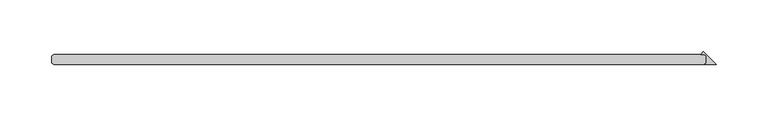
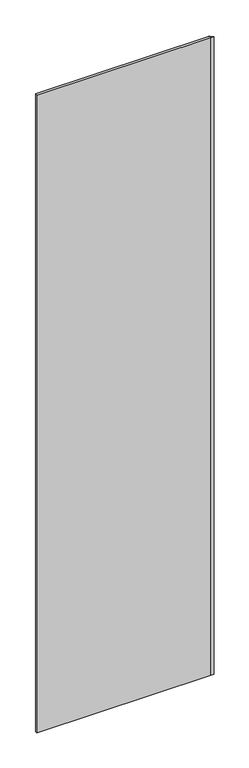
"""IFC4 building model written with IfcOpenShell, lengths in millimetres: plate geometry."""

import ifcopenshell
import ifcopenshell.guid

model = None  # the IFC model being written
_history = None  # IfcOwnerHistory: only IFC2X3 demands one
_inside = {}  # id of a spatial element -> (the spatial element, [elements in it])
_under = {}  # id of a project, library or spatial element -> (it, [spatial elements below it])
_declared = {}  # id of a project -> (the project, [libraries it declares])
_typed = {}  # id of a type object -> (the type object, [elements of that type])
_made_of = {}  # id of a material, layer set ... -> (it, [elements and type objects made of it])


def new_model(schema):
    """Start an empty IFC model of exactly this schema.

    Asked for "IFC4X3", IfcOpenShell would pick the latest addendum, in which some entities
    have other attributes; the version numbers below select the first issue.
    IFC2X3 requires an IfcOwnerHistory on every rooted entity: one is made here for all.
    """
    global model, _history
    if schema == "IFC4X3":
        model = ifcopenshell.file(schema_version=(4, 3, 0, 0))
    else:
        model = ifcopenshell.file(schema=schema)
    _inside.clear()
    _under.clear()
    _declared.clear()
    _typed.clear()
    _made_of.clear()
    _history = None
    if model.schema == "IFC2X3":
        org = make("IfcOrganization", Name="unknown")
        user = make(
            "IfcPersonAndOrganization",
            ThePerson=make("IfcPerson", FamilyName="unknown"),
            TheOrganization=org,
        )
        app = make(
            "IfcApplication",
            ApplicationDeveloper=org,
            Version="unknown",
            ApplicationFullName="unknown",
            ApplicationIdentifier="unknown",
        )
        _history = make(
            "IfcOwnerHistory",
            OwningUser=user,
            OwningApplication=app,
            ChangeAction="ADDED",
            CreationDate=0,
        )
    return model


def make(cls, **values):
    """One entity of the class cls with the attributes given. An attribute that is None is left unset."""
    return model.create_entity(
        cls, **{name: value for name, value in values.items() if value is not None}
    )


def rooted(cls, **values):
    """An entity with a GlobalId (a new one), such as an element, a storey or a relation."""
    return make(cls, GlobalId=ifcopenshell.guid.new(), OwnerHistory=_history, **values)


def si_unit(unit_type, name, prefix=None):
    """IfcSIUnit, for example si_unit("LENGTHUNIT", "METRE", prefix="MILLI")."""
    return make("IfcSIUnit", UnitType=unit_type, Prefix=prefix, Name=name)


def assignment(units):
    """IfcUnitAssignment: the units of a project."""
    return None if units is None else make("IfcUnitAssignment", Units=units)


def point(xyz):
    """IfcCartesianPoint."""
    return None if xyz is None else make("IfcCartesianPoint", Coordinates=xyz)


def direction(xyz):
    """IfcDirection."""
    return None if xyz is None else make("IfcDirection", DirectionRatios=xyz)


def frame(location, z_axis=None, x_axis=None):
    """IfcAxis2Placement3D, a coordinate frame: its origin and axes. An axis left out is left unset."""
    return make(
        "IfcAxis2Placement3D",
        Location=point(location),
        Axis=direction(z_axis),
        RefDirection=direction(x_axis),
    )


def origin():
    """The frame at (0, 0, 0) with its axes left unset."""
    return frame((0.0, 0.0, 0.0))


def origin_with_axes():
    """The frame at (0, 0, 0) with the z axis (0, 0, 1) and the x axis (1, 0, 0) written out."""
    return frame((0.0, 0.0, 0.0), z_axis=(0.0, 0.0, 1.0), x_axis=(1.0, 0.0, 0.0))


def place(relative_to, where):
    """IfcLocalPlacement: puts the frame where relative to a parent placement (None: the world)."""
    return make(
        "IfcLocalPlacement", PlacementRelTo=relative_to, RelativePlacement=where
    )


def context(
    kind, dimensions, precision=None, world=None, true_north=None, identifier=None
):
    """IfcGeometricRepresentationContext, for example the 3D "Model" context."""
    return make(
        "IfcGeometricRepresentationContext",
        ContextIdentifier=identifier,
        ContextType=kind,
        CoordinateSpaceDimension=dimensions,
        Precision=precision,
        WorldCoordinateSystem=world,
        TrueNorth=true_north,
    )


def project(units=None, contexts=None):
    """IfcProject with its units and contexts."""
    return rooted(
        "IfcProject",
        Name="project",
        RepresentationContexts=contexts,
        UnitsInContext=assignment(units),
    )


def spatial(cls, under=None, at=None, **own):
    """A site, building, storey or space (cls), placed at a placement, below another one or the project."""
    s = rooted(cls, ObjectPlacement=at, **own)
    if under is not None:
        _under.setdefault(under.id(), (under, []))[1].append(s)
    return s


def polyline(points):
    """IfcPolyline through the points."""
    return make("IfcPolyline", Points=[point(p) for p in points])


def outline(outer, holes=None, kind="AREA"):
    """IfcArbitraryClosedProfileDef: a profile drawn as a closed curve; with holes, ...WithVoids."""
    if holes is None:
        return make("IfcArbitraryClosedProfileDef", ProfileType=kind, OuterCurve=outer)
    return make(
        "IfcArbitraryProfileDefWithVoids",
        ProfileType=kind,
        OuterCurve=outer,
        InnerCurves=holes,
    )


def extrude(swept, where, along, depth):
    """IfcExtrudedAreaSolid: the profile swept, set in the frame where, extruded along a direction by depth."""
    return make(
        "IfcExtrudedAreaSolid",
        SweptArea=swept,
        Position=where,
        ExtrudedDirection=direction(along),
        Depth=depth,
    )


def shape(context_of_items, identifier, shape_type, items):
    """IfcShapeRepresentation: the items that make up one representation, for example the "Body"."""
    return make(
        "IfcShapeRepresentation",
        ContextOfItems=context_of_items,
        RepresentationIdentifier=identifier,
        RepresentationType=shape_type,
        Items=items,
    )


def source(mapping_origin, context_of_items, identifier, shape_type, items):
    """IfcRepresentationMap: a shape defined once, which mapped items show again and again."""
    return make(
        "IfcRepresentationMap",
        MappingOrigin=mapping_origin,
        MappedRepresentation=shape(context_of_items, identifier, shape_type, items),
    )


def transform(
    local_origin,
    x_axis=None,
    y_axis=None,
    z_axis=None,
    scale=None,
    scale2=None,
    scale3=None,
    uniform=True,
):
    """IfcCartesianTransformationOperator3D, or its non-uniform kind. x_axis, y_axis, z_axis: its Axis1, 2, 3."""
    if uniform:
        return make(
            "IfcCartesianTransformationOperator3D",
            Axis1=direction(x_axis),
            Axis2=direction(y_axis),
            LocalOrigin=point(local_origin),
            Scale=scale,
            Axis3=direction(z_axis),
        )
    return make(
        "IfcCartesianTransformationOperator3DnonUniform",
        Axis1=direction(x_axis),
        Axis2=direction(y_axis),
        LocalOrigin=point(local_origin),
        Scale=scale,
        Axis3=direction(z_axis),
        Scale2=scale2,
        Scale3=scale3,
    )


def mapped(mapping_source, mapping_target):
    """IfcMappedItem: shows the shape of a source again, moved by a transform."""
    return make(
        "IfcMappedItem", MappingSource=mapping_source, MappingTarget=mapping_target
    )


def made_of(thing, what):
    """Note that an element or type object is made of a material, layer set ...; save() writes the relation."""
    if what is not None:
        _made_of.setdefault(what.id(), (what, []))[1].append(thing)
    return thing


def element(
    cls,
    number,
    at=None,
    inside=None,
    cuts=None,
    type_object=None,
    material=None,
    context=None,
    identifier="Body",
    shape_type=None,
    held_by="IfcProductDefinitionShape",
    body=None,
    shapes=None,
    **own,
):
    """One element of the class cls, such as IfcWall. Its Tag is "e" and its number.

    at: its placement. inside: the storey or other place that contains it. cuts: it is an
    opening in that element (IfcRelVoidsElement). A single representation is given by context,
    identifier, shape_type and body (its items); several are given by shapes. held_by: the class
    of the entity that holds the representations. save() writes the other relations.
    """
    e = rooted(cls, Tag="e%d" % number, ObjectPlacement=at, **own)
    if body is not None:
        shapes = [shape(context, identifier, shape_type, body)]
    if shapes is not None:
        e.Representation = make(held_by, Representations=shapes)
    if inside is not None:
        _inside.setdefault(inside.id(), (inside, []))[1].append(e)
    if cuts is not None:
        rooted(
            "IfcRelVoidsElement", RelatingBuildingElement=cuts, RelatedOpeningElement=e
        )
    if type_object is not None:
        _typed.setdefault(type_object.id(), (type_object, []))[1].append(e)
    return made_of(e, material)


def aggregate(whole, parts):
    """IfcRelAggregates: a whole, such as a stair, and the parts it consists of."""
    return rooted("IfcRelAggregates", RelatingObject=whole, RelatedObjects=parts)


def save(model, path):
    """Write the relations noted so far, then the file.

    IfcRelAggregates (storeys below a building ...), IfcRelContainedInSpatialStructure (elements
    in a storey), IfcRelDefinesByType, IfcRelAssociatesMaterial and IfcRelDeclares: one each for
    every whole, place, type object, material and project.
    """
    for whole, parts in _under.values():
        aggregate(whole, parts)
    for where, things in _inside.values():
        rooted(
            "IfcRelContainedInSpatialStructure",
            RelatedElements=things,
            RelatingStructure=where,
        )
    for kind, things in _typed.values():
        rooted("IfcRelDefinesByType", RelatedObjects=things, RelatingType=kind)
    for what, things in _made_of.values():
        rooted("IfcRelAssociatesMaterial", RelatedObjects=things, RelatingMaterial=what)
    for by, libraries in _declared.values():
        rooted("IfcRelDeclares", RelatingContext=by, RelatedDefinitions=libraries)
    model.write(path)


def plate_8a6356aa(model_context):
    return source(origin(), model_context, "Body", "SweptSolid", [
        extrude(outline(polyline([(312.340625, -3.175), (312.340625, 3.175), (310.753125, 4.7625), (306.920561, 4.7625), (309.630593, 7.472532), (321.865625, -4.7625), (310.753125, -4.7625), (312.340625, -3.175)])), origin_with_axes(), (0.0, 0.0, 1.0), 2427.1914267),
        extrude(outline(polyline([(310.753125, -4.7625), (-315.515625, -4.7625), (-317.103125, -3.175), (-317.103125, 3.175), (-315.515625, 4.7625), (310.753125, 4.7625), (312.340625, 3.175), (312.340625, -3.175), (310.753125, -4.7625)])), origin_with_axes(), (0.0, 0.0, 1.0), 2427.1914267),
    ])


if __name__ == "__main__":
    model = new_model("IFC4")
    model_context = context("Model", 3, world=origin())
    ifc_project = project(units=[si_unit("LENGTHUNIT", "METRE", prefix="MILLI")], contexts=[model_context])
    site = spatial("IfcSite", under=ifc_project)
    building = spatial("IfcBuilding", under=site)
    placement = place(None, origin())
    plate_shape = plate_8a6356aa(model_context)
    element("IfcPlate", 1, at=placement, inside=building, context=model_context, shape_type="MappedRepresentation", body=[
        mapped(plate_shape, transform((0.0, 0.0, 0.0), x_axis=(1.0, 0.0, 0.0), y_axis=(0.0, 1.0, 0.0), z_axis=(0.0, 0.0, 1.0))),
    ])
    save(model, "model.ifc")
